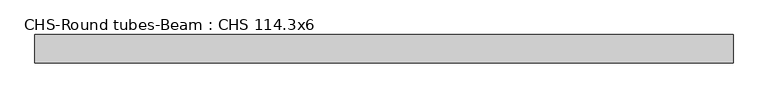
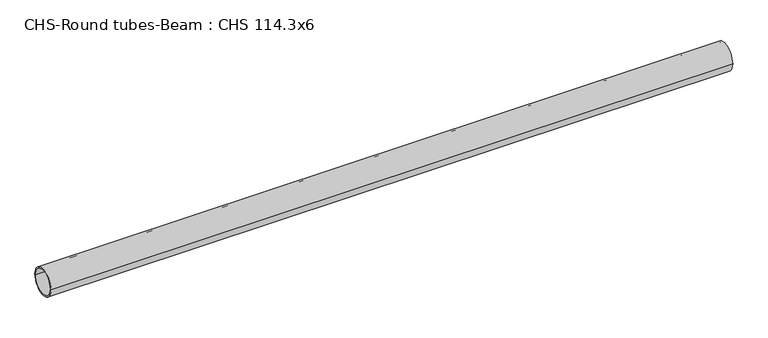
"""IFC4 building model written with IfcOpenShell, lengths in millimetres: beam geometry, CHS-Round tubes-Beam : CHS 114.3x6."""

from ifc_helpers import new_model, si_unit, point, frame, origin, origin_2d, place, context, project, spatial, circle_curve, trimmed, segment, composite_curve, outline, extrude, source, transform, mapped, element, save


def chs_round_tubes_beam_chs_114_3x6_a2297ec0(model_context):
    return source(origin(), model_context, "Body", "SweptSolid", [
        extrude(outline(composite_curve([segment(trimmed(circle_curve(origin_2d(), 57.15), [point((57.15, 0.0))], [point((-57.15, 0.0))], False, "CARTESIAN"), True, "CONTINUOUS"), segment(trimmed(circle_curve(origin_2d(), 57.15), [point((-57.15, 0.0))], [point((57.15, 0.0))], False, "CARTESIAN"), True, "CONTINUOUS")], self_intersect=False), holes=[composite_curve([segment(trimmed(circle_curve(origin_2d(), 51.15), [point((51.15, 0.0))], [point((-51.15, 0.0))], True, "CARTESIAN"), True, "CONTINUOUS"), segment(trimmed(circle_curve(origin_2d(), 51.15), [point((-51.15, 0.0))], [point((51.15, 0.0))], True, "CARTESIAN"), True, "CONTINUOUS")], self_intersect=False)]), frame((-1398.785488, 0.0, 0.0), z_axis=(1.0, 0.0, 0.0), x_axis=(0.0, 1.0, 0.0)), (0.0, 0.0, 1.0), 2809.7050579),
    ])


if __name__ == "__main__":
    model = new_model("IFC4")
    model_context = context("Model", 3, world=origin())
    ifc_project = project(units=[si_unit("LENGTHUNIT", "METRE", prefix="MILLI")], contexts=[model_context])
    site = spatial("IfcSite", under=ifc_project)
    building = spatial("IfcBuilding", under=site)
    placement = place(None, origin())
    chs_round_tubes_beam_chs_114_3x6_shape = chs_round_tubes_beam_chs_114_3x6_a2297ec0(model_context)
    element("IfcBeam", 1, ObjectType="CHS-Round tubes-Beam : CHS 114.3x6", at=placement, inside=building, context=model_context, shape_type="MappedRepresentation", body=[
        mapped(chs_round_tubes_beam_chs_114_3x6_shape, transform((0.0, 0.0, 0.0), x_axis=(1.0, 0.0, 0.0), y_axis=(0.0, 1.0, 0.0), z_axis=(0.0, 0.0, 1.0))),
    ])
    save(model, "model.ifc")
